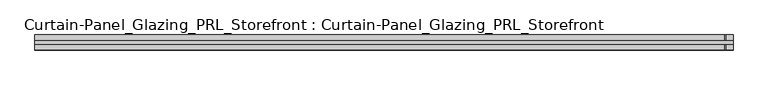
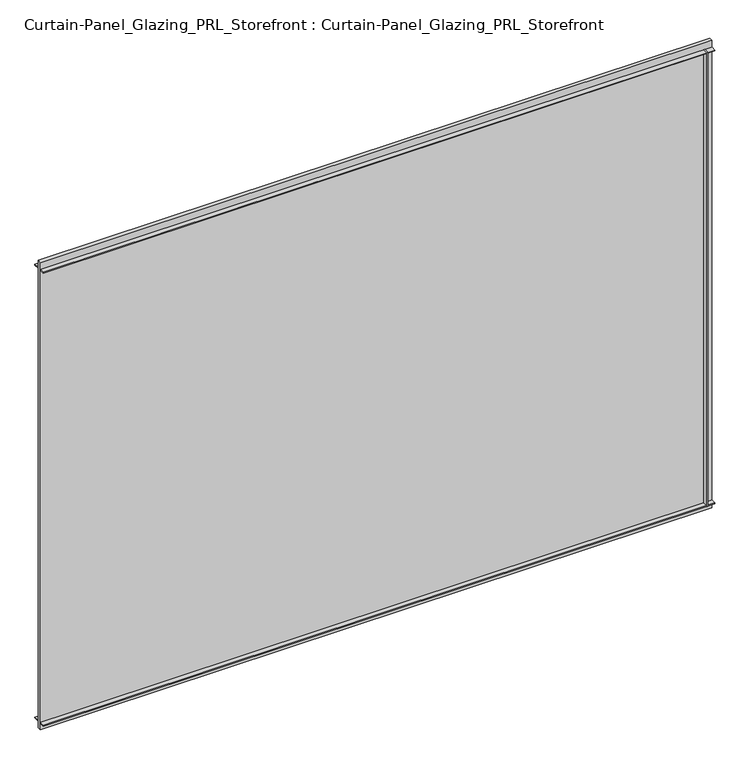
"""IFC4 building model written with IfcOpenShell, lengths in millimetres: plate geometry, Curtain-Panel_Glazing_PRL_Storefront : Curtain-Panel_Glazing_PRL_Storefront."""

from ifc_helpers import new_model, si_unit, frame, origin, origin_with_axes, place, context, project, spatial, polyline, outline, extrude, source, transform, mapped, element, save


def curtain_panel_glazing_prl_storefront_curtain_panel_glazing_580400a0(model_context):
    return source(origin(), model_context, "Body", "SweptSolid", [
        extrude(outline(polyline([(577.85, -12.7), (576.2625, -12.7), (576.2625, -3.175), (577.85, -3.175), (577.85, -12.7)])), frame((0.0, 0.0, 12.7), z_axis=(0.0, 0.0, 1.0), x_axis=(1.0, 0.0, 0.0)), (0.0, 0.0, 1.0), 841.375),
        extrude(outline(polyline([(577.85, 12.7), (577.85, 3.175), (576.2625, 3.175), (576.2625, 12.7), (577.85, 12.7)])), frame((0.0, 0.0, 12.7), z_axis=(0.0, 0.0, 1.0), x_axis=(1.0, 0.0, 0.0)), (0.0, 0.0, 1.0), 841.375),
        extrude(outline(polyline([(590.55, 3.175), (590.55, -3.175), (-587.375, -3.175), (-587.375, 3.175), (590.55, 3.175)])), origin_with_axes(), (0.0, 0.0, 1.0), 866.775),
        extrude(outline(polyline([(-587.375, -12.7), (-587.375, -3.175), (590.55, -3.175), (590.55, -12.7), (-587.375, -12.7)])), frame((0.0, 0.0, 852.4875), z_axis=(0.0, 0.0, 1.0), x_axis=(1.0, 0.0, 0.0)), (0.0, 0.0, 1.0), 1.5875),
        extrude(outline(polyline([(-587.375, 12.7), (590.55, 12.7), (590.55, 3.175), (-587.375, 3.175), (-587.375, 12.7)])), frame((0.0, 0.0, 852.4875), z_axis=(0.0, 0.0, 1.0), x_axis=(1.0, 0.0, 0.0)), (0.0, 0.0, 1.0), 1.5875),
        extrude(outline(polyline([(-587.375, -12.7), (-587.375, -3.175), (590.55, -3.175), (590.55, -12.7), (-587.375, -12.7)])), frame((0.0, 0.0, 12.7), z_axis=(0.0, 0.0, 1.0), x_axis=(1.0, 0.0, 0.0)), (0.0, 0.0, 1.0), 1.5875),
        extrude(outline(polyline([(-587.375, 12.7), (590.55, 12.7), (590.55, 3.175), (-587.375, 3.175), (-587.375, 12.7)])), frame((0.0, 0.0, 12.7), z_axis=(0.0, 0.0, 1.0), x_axis=(1.0, 0.0, 0.0)), (0.0, 0.0, 1.0), 1.5875),
    ])


if __name__ == "__main__":
    model = new_model("IFC4")
    model_context = context("Model", 3, world=origin())
    ifc_project = project(units=[si_unit("LENGTHUNIT", "METRE", prefix="MILLI")], contexts=[model_context])
    site = spatial("IfcSite", under=ifc_project)
    building = spatial("IfcBuilding", under=site)
    placement = place(None, origin())
    curtain_panel_glazing_prl_storefront_curtain_panel_glazing_shape = curtain_panel_glazing_prl_storefront_curtain_panel_glazing_580400a0(model_context)
    element("IfcPlate", 1, ObjectType="Curtain-Panel_Glazing_PRL_Storefront : Curtain-Panel_Glazing_PRL_Storefront", at=placement, inside=building, context=model_context, shape_type="MappedRepresentation", body=[
        mapped(curtain_panel_glazing_prl_storefront_curtain_panel_glazing_shape, transform((0.0, 0.0, 0.0), x_axis=(1.0, 0.0, 0.0), y_axis=(0.0, 1.0, 0.0), z_axis=(0.0, 0.0, 1.0))),
    ])
    save(model, "model.ifc")
